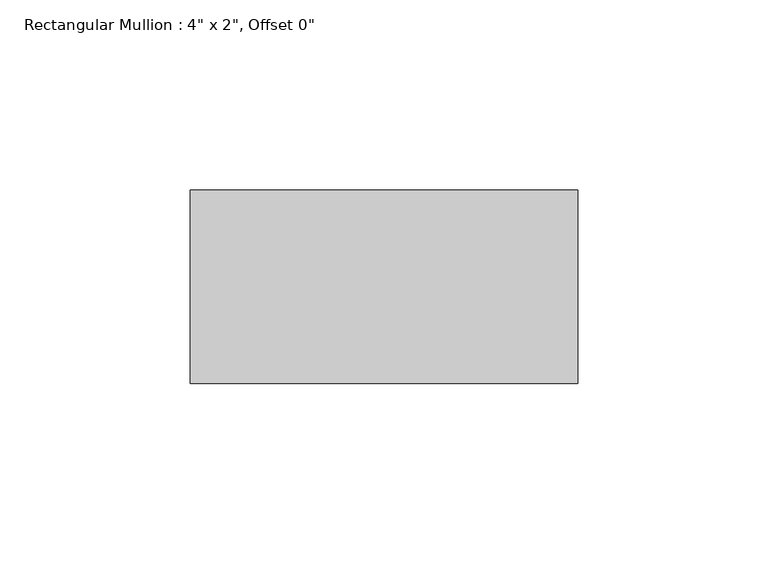
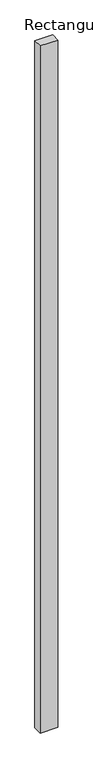
"""IFC4 building model written with IfcOpenShell, lengths in millimetres: member geometry."""

from ifc_helpers import new_model, si_unit, frame, origin, place, context, project, spatial, polyline, outline, extrude, source, transform, mapped, element, save


def member_481c4c49(model_context):
    return source(origin(), model_context, "Body", "SweptSolid", [
        extrude(outline(polyline([(0.0, 25.4), (0.0, -25.4), (-101.6, -25.4), (-101.6, 25.4), (0.0, 25.4)])), frame((0.0, 0.0, -4140.2), z_axis=(0.0, 0.0, 1.0), x_axis=(1.0, 0.0, 0.0)), (0.0, 0.0, 1.0), 4140.2),
    ])


if __name__ == "__main__":
    model = new_model("IFC4")
    model_context = context("Model", 3, world=origin())
    ifc_project = project(units=[si_unit("LENGTHUNIT", "METRE", prefix="MILLI")], contexts=[model_context])
    site = spatial("IfcSite", under=ifc_project)
    building = spatial("IfcBuilding", under=site)
    placement = place(None, origin())
    member_shape = member_481c4c49(model_context)
    element("IfcMember", 1, ObjectType="Rectangular Mullion : 4\" x 2\", Offset 0\"", at=placement, inside=building, context=model_context, shape_type="MappedRepresentation", body=[
        mapped(member_shape, transform((0.0, 0.0, 0.0), x_axis=(1.0, 0.0, 0.0), y_axis=(0.0, 1.0, 0.0), z_axis=(0.0, 0.0, 1.0))),
    ])
    save(model, "model.ifc")
